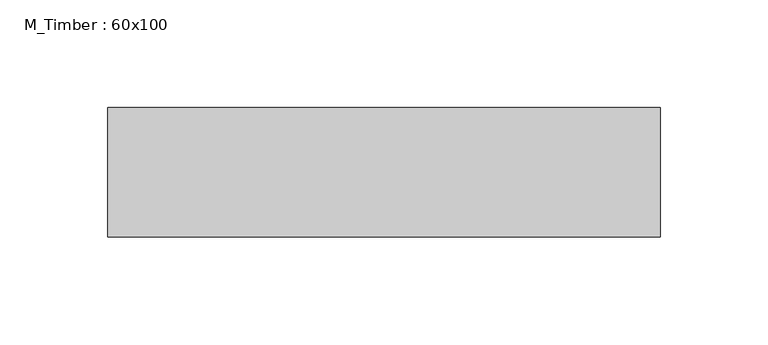
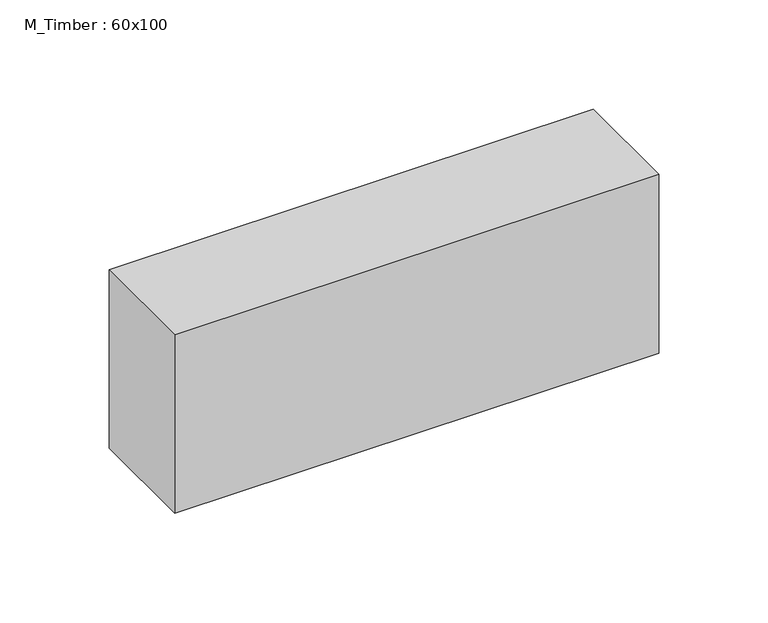
"""IFC4 building model written with IfcOpenShell, lengths in millimetres: beam geometry, M_Timber : 60x100."""

from ifc_helpers import new_model, si_unit, frame, origin, place, context, project, spatial, polyline, outline, extrude, source, transform, mapped, element, save


def m_timber_60x100_9e4d2a88(model_context):
    return source(origin(), model_context, "Body", "SweptSolid", [
        extrude(outline(polyline([(445.668441, 30.0), (445.668441, -30.0), (189.6429856, -30.0), (189.6429856, 30.0), (445.668441, 30.0)])), frame((0.0, 0.0, -50.0), z_axis=(0.0, 0.0, 1.0), x_axis=(1.0, 0.0, 0.0)), (0.0, 0.0, 1.0), 100.0),
    ])


if __name__ == "__main__":
    model = new_model("IFC4")
    model_context = context("Model", 3, world=origin())
    ifc_project = project(units=[si_unit("LENGTHUNIT", "METRE", prefix="MILLI")], contexts=[model_context])
    site = spatial("IfcSite", under=ifc_project)
    building = spatial("IfcBuilding", under=site)
    placement = place(None, origin())
    m_timber_60x100_shape = m_timber_60x100_9e4d2a88(model_context)
    element("IfcBeam", 1, ObjectType="M_Timber : 60x100", at=placement, inside=building, context=model_context, shape_type="MappedRepresentation", body=[
        mapped(m_timber_60x100_shape, transform((0.0, 0.0, 0.0), x_axis=(1.0, 0.0, 0.0), y_axis=(0.0, 1.0, 0.0), z_axis=(0.0, 0.0, 1.0))),
    ])
    save(model, "model.ifc")
